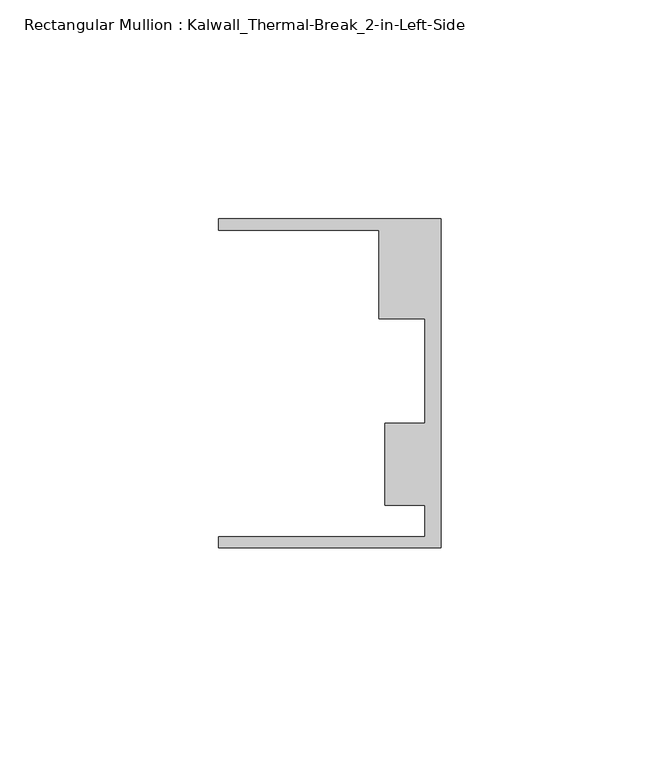
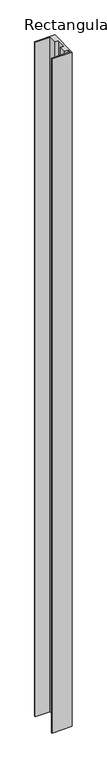
"""IFC4 building model written with IfcOpenShell, lengths in millimetres: member geometry, Rectangular Mullion : Kalwall_Thermal-Break_2-in-Left-Side."""

from ifc_helpers import new_model, si_unit, frame, origin, place, context, project, spatial, polyline, outline, extrude, source, transform, mapped, element, save


def rectangular_mullion_kalwall_thermal_break_2_in_left_side_62ca8c05(model_context):
    return source(origin(), model_context, "Body", "SweptSolid", [
        extrude(outline(polyline([(0.0, -37.5776386), (-50.8, -37.5776386), (-50.8, -35.0376386), (-3.7084, -35.0376386), (-3.7084, -27.8888568), (-12.8272539, -27.8888568), (-12.8272539, -9.1879886), (-3.7084, -9.1879886), (-3.7084, 14.7439614), (-14.1732, 14.7439614), (-14.1732, 34.9623614), (-50.8, 34.9623614), (-50.8, 37.5023614), (0.0, 37.5023614), (0.0, -37.5776386)])), frame((0.0, 0.0, -1795.25), z_axis=(0.0, 0.0, 1.0), x_axis=(1.0, 0.0, 0.0)), (0.0, 0.0, 1.0), 1795.25),
    ])


if __name__ == "__main__":
    model = new_model("IFC4")
    model_context = context("Model", 3, world=origin())
    ifc_project = project(units=[si_unit("LENGTHUNIT", "METRE", prefix="MILLI")], contexts=[model_context])
    site = spatial("IfcSite", under=ifc_project)
    building = spatial("IfcBuilding", under=site)
    placement = place(None, origin())
    rectangular_mullion_kalwall_thermal_break_2_in_left_side_shape = rectangular_mullion_kalwall_thermal_break_2_in_left_side_62ca8c05(model_context)
    element("IfcMember", 1, ObjectType="Rectangular Mullion : Kalwall_Thermal-Break_2-in-Left-Side", at=placement, inside=building, context=model_context, shape_type="MappedRepresentation", body=[
        mapped(rectangular_mullion_kalwall_thermal_break_2_in_left_side_shape, transform((0.0, 0.0, 0.0), x_axis=(1.0, 0.0, 0.0), y_axis=(0.0, 1.0, 0.0), z_axis=(0.0, 0.0, 1.0))),
    ])
    save(model, "model.ifc")
